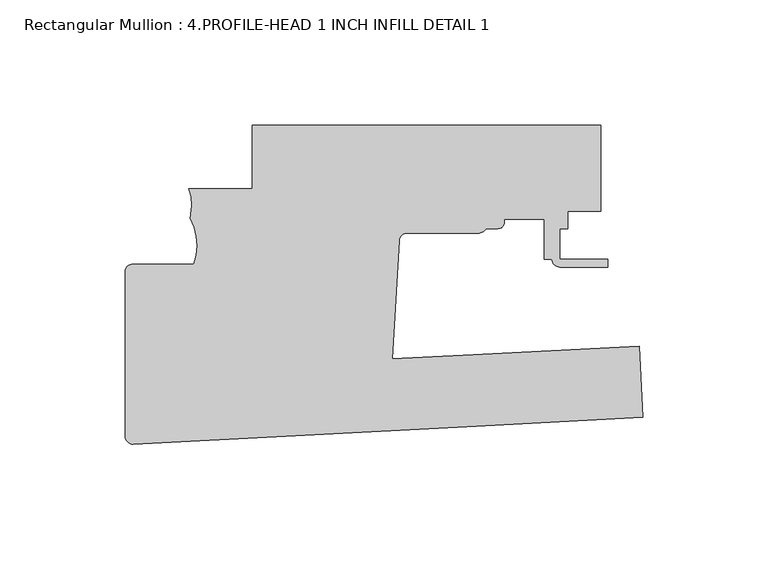
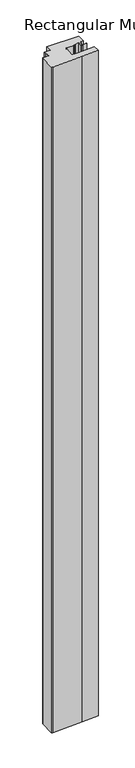
"""IFC4 building model written with IfcOpenShell, lengths in millimetres: member geometry, Rectangular Mullion : 4.PROFILE-HEAD 1 INCH INFILL DETAIL 1."""

from ifc_helpers import new_model, si_unit, point, frame, frame_2d, origin, place, context, project, spatial, polyline, circle_curve, trimmed, segment, composite_curve, outline, extrude, source, transform, mapped, element, save


def rectangular_mullion_4_profile_head_1_inch_infill_detail_1_f645cfae(model_context):
    return source(origin(), model_context, "Body", "SweptSolid", [
        extrude(outline(composite_curve([segment(polyline([(-70.3310664, -51.3296383), (-203.5790059, -58.3128672)]), True, "CONTINUOUS"), segment(trimmed(circle_curve(frame_2d((-203.7451726, -55.1422184)), 3.175), [point((-203.5790059, -58.3128672))], [point((-206.9201726, -55.1422184))], False, "CARTESIAN"), True, "CONTINUOUS"), segment(polyline([(-206.9201726, -55.1422184), (-206.9201726, 10.4820328)]), True, "CONTINUOUS"), segment(trimmed(circle_curve(frame_2d((-203.7451726, 10.4820328)), 3.175), [point((-206.9201726, 10.4820328))], [point((-203.7451726, 13.6570328))], False, "CARTESIAN"), True, "CONTINUOUS"), segment(polyline([(-203.7451726, 13.6570328), (-179.5305054, 13.6016638)]), True, "CONTINUOUS"), segment(trimmed(circle_curve(frame_2d((-200.590582, 21.2338066)), 22.4003667), [point((-179.5305054, 13.6016638))], [point((-180.8741064, 31.8656934))], True, "CARTESIAN"), True, "CONTINUOUS"), segment(polyline([(-180.8741064, 31.8656934), (-180.7646119, 33.6344543)]), True, "CONTINUOUS"), segment(trimmed(circle_curve(frame_2d((-197.0532581, 37.5178621)), 16.7451739), [point((-180.7646119, 33.6344543))], [point((-181.5201782, 43.7728023))], True, "CARTESIAN"), True, "CONTINUOUS"), segment(polyline([(-181.5201782, 43.7728023), (-156.1202428, 43.7728023), (-156.1197256, 69.1726891), (-16.9281782, 69.1726891), (-16.9281782, 34.6815781), (-29.9719774, 34.6815781), (-29.9719774, 27.8235784), (-33.1469774, 27.8235784), (-33.1469774, 15.6210576), (-14.0969774, 15.6210576), (-14.0969774, 12.4460576), (-33.1469774, 12.4460576)]), True, "CONTINUOUS"), segment(trimmed(circle_curve(frame_2d((-33.1469774, 15.6210576)), 3.175), [point((-33.1469774, 12.4460576))], [point((-36.3219599, 15.6315781))], False, "CARTESIAN"), True, "CONTINUOUS"), segment(polyline([(-36.3219599, 15.6315781), (-39.4969774, 15.6315781), (-39.4969774, 31.5065781), (-55.3719774, 31.5065781), (-55.3719774, 30.3635783)]), True, "CONTINUOUS"), segment(trimmed(circle_curve(frame_2d((-57.9119773, 30.3635783)), 2.5399999), [point((-55.3719774, 30.3635783))], [point((-57.9119773, 27.8235784))], False, "CARTESIAN"), True, "CONTINUOUS"), segment(polyline([(-57.9119773, 27.8235784), (-62.6429221, 27.8235784)]), True, "CONTINUOUS"), segment(trimmed(circle_curve(frame_2d((-65.4940652, 29.2205781)), 3.175), [point((-62.6429221, 27.8235784))], [point((-65.4940652, 26.0455781))], False, "CARTESIAN"), True, "CONTINUOUS"), segment(polyline([(-65.4940652, 26.0455781), (-94.2055524, 26.0455781)]), True, "CONTINUOUS"), segment(trimmed(circle_curve(frame_2d((-94.2055524, 22.8705781)), 3.175), [point((-94.2055524, 26.0455781))], [point((-97.3763549, 23.0337848))], True, "CARTESIAN"), True, "CONTINUOUS"), segment(polyline([(-97.3763549, 23.0337848), (-100.1963737, -24.280598), (-71.8265664, -22.7937994), (-1.4954999, -19.1079044), (0.0, -47.6437433), (-70.3310664, -51.3296383)]), True, "CONTINUOUS")], self_intersect=False)), frame((0.0, 0.0, -3048.0), z_axis=(0.0, 0.0, 1.0), x_axis=(1.0, 0.0, 0.0)), (0.0, 0.0, 1.0), 3048.0),
    ])


if __name__ == "__main__":
    model = new_model("IFC4")
    model_context = context("Model", 3, world=origin())
    ifc_project = project(units=[si_unit("LENGTHUNIT", "METRE", prefix="MILLI")], contexts=[model_context])
    site = spatial("IfcSite", under=ifc_project)
    building = spatial("IfcBuilding", under=site)
    placement = place(None, origin())
    rectangular_mullion_4_profile_head_1_inch_infill_detail_1_shape = rectangular_mullion_4_profile_head_1_inch_infill_detail_1_f645cfae(model_context)
    element("IfcMember", 1, ObjectType="Rectangular Mullion : 4.PROFILE-HEAD 1 INCH INFILL DETAIL 1", at=placement, inside=building, context=model_context, shape_type="MappedRepresentation", body=[
        mapped(rectangular_mullion_4_profile_head_1_inch_infill_detail_1_shape, transform((0.0, 0.0, 0.0), x_axis=(1.0, 0.0, 0.0), y_axis=(0.0, 1.0, 0.0), z_axis=(0.0, 0.0, 1.0))),
    ])
    save(model, "model.ifc")
